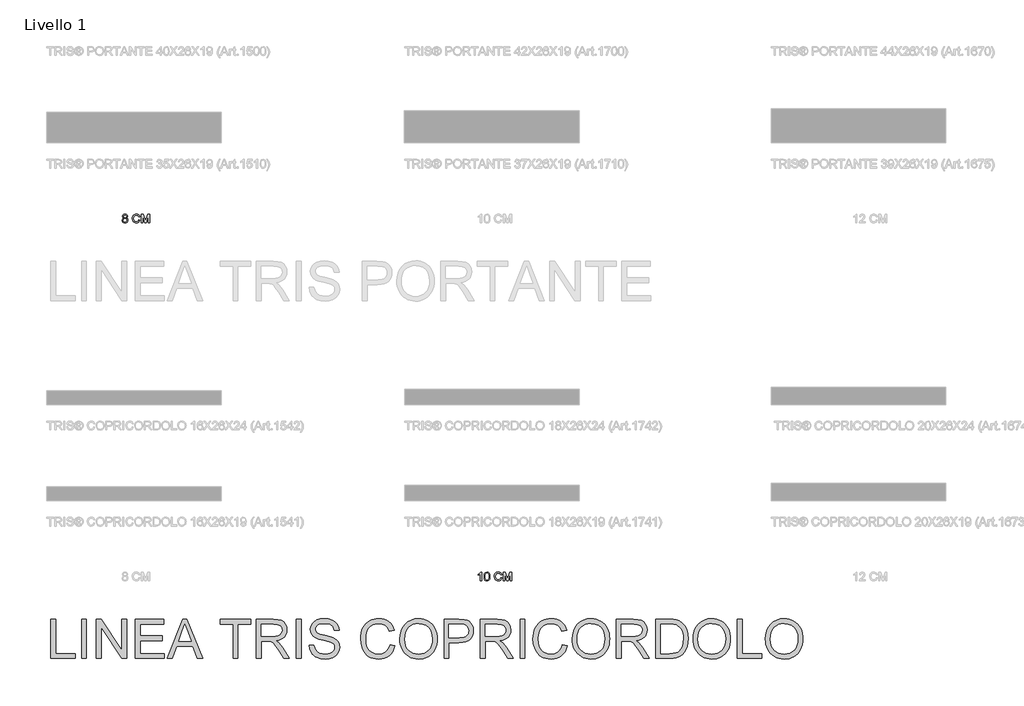
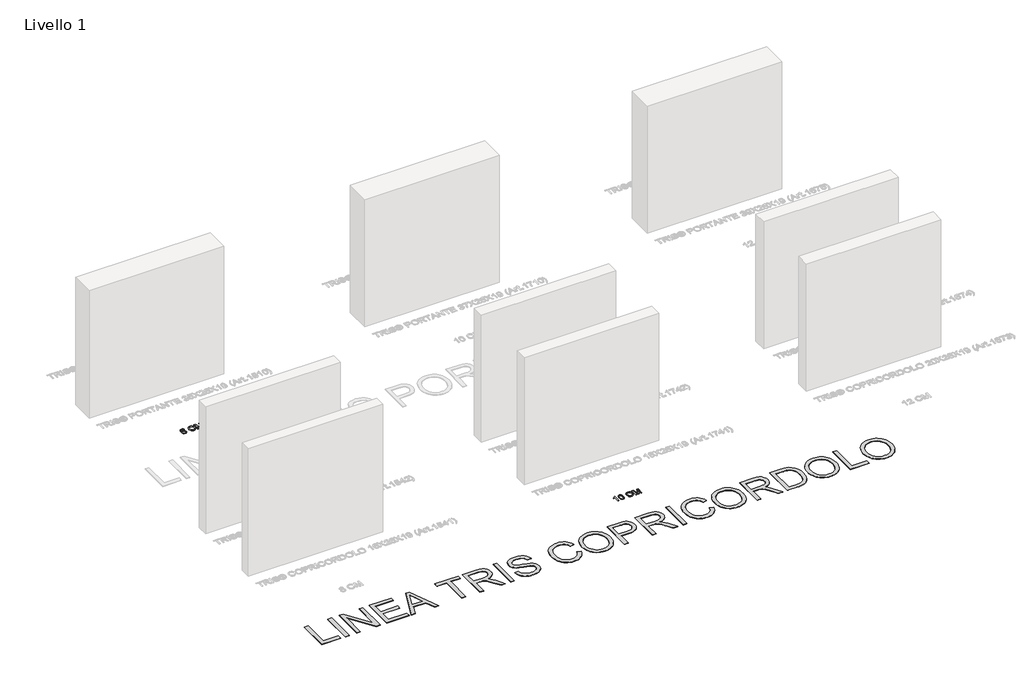
# One storey, part 2 of 19: 3 proxies.
"""IFC4 building model written with IfcOpenShell, lengths in millimetres."""

from ifc_helpers import new_model, si_unit, origin, origin_with_axes, place, context, project, spatial, polyline, outline, extrude, element, save

model = new_model("IFC4")

# Units and contexts
model_context = context("Model", 3, world=origin())
ifc_project = project(units=[si_unit("LENGTHUNIT", "METRE", prefix="MILLI")], contexts=[model_context])

# Site, building, storey
site = spatial("IfcSite", under=ifc_project)
building = spatial("IfcBuilding", under=site)
storey = spatial("IfcBuildingStorey", under=building, Name="Livello 1", Elevation=0.0)

# Proxies
placement = place(None, origin())
element("IfcBuildingElementProxy", 1, Name="100", ObjectType="100", at=placement, inside=storey, context=model_context, shape_type="SweptSolid", body=[
    extrude(outline(polyline([(-254.5753116, -4783.9348646), (-267.1323503, -4783.9348646), (-267.1323503, -4705.649576), (-279.0272015, -4714.1231247), (-292.2464279, -4720.4629577), (-292.2464279, -4708.592632), (-273.8400654, -4696.8449336), (-262.6687155, -4683.4785545), (-254.5753116, -4683.4785545), (-254.5753116, -4783.9348646)])), origin_with_axes(), (0.0, 0.0, 1.0), 5.0),
    extrude(outline(polyline([(-224.7523445, -4734.5160499), (-221.0612618, -4705.6127878), (-210.0983783, -4688.9477335), (-191.7901177, -4683.4785545), (-177.1238888, -4686.715916), (-166.9948712, -4696.047856), (-161.1087593, -4710.9102886), (-158.827891, -4734.5160499), (-162.4821854, -4763.2966847), (-173.4082807, -4779.9985273), (-181.6396403, -4784.1280027), (-191.7901177, -4785.5044945), (-204.8376658, -4783.1132615), (-214.7459542, -4775.9395626), (-222.2507469, -4758.9495458), (-224.7523445, -4734.5160499)]), holes=[polyline([(-212.1953057, -4734.4915245), (-210.7237777, -4754.2437219), (-206.3091938, -4765.6756549), (-199.7363688, -4771.1295055), (-191.7901177, -4772.9474557), (-183.8438666, -4771.1233741), (-177.2710416, -4765.6511295), (-172.8564577, -4754.2130651), (-171.3849297, -4734.4915245), (-172.8074068, -4715.1838511), (-177.0748379, -4703.6630133), (-183.6354002, -4697.9424482), (-191.9372705, -4696.0355932), (-199.7976825, -4697.7155877), (-206.1129901, -4702.755571), (-210.6747268, -4714.9937787), (-212.1953057, -4734.4915245)])]), origin_with_axes(), (0.0, 0.0, 1.0), 5.0),
    extrude(outline(polyline([(-33.2575033, -4748.2257856), (-20.7004645, -4751.4631472), (-26.4946059, -4766.0956535), (-35.5874226, -4776.7856912), (-47.5313247, -4783.3247936), (-61.8787225, -4785.5044945), (-76.4437838, -4783.8551568), (-88.0106069, -4778.907144), (-96.876563, -4770.8321342), (-103.3390233, -4759.8018057), (-108.5997359, -4732.9464201), (-107.1128795, -4718.2985853), (-102.6523103, -4705.649576), (-95.4510202, -4695.4009968), (-85.7420012, -4687.9544521), (-74.2272948, -4683.4203065), (-61.6089424, -4681.9089246), (-47.8409587, -4683.8648306), (-36.4580766, -4689.7325484), (-27.8159154, -4699.1503275), (-22.2700943, -4711.7564172), (-34.8271331, -4714.7485241), (-45.127829, -4699.309743), (-62.0994517, -4694.4659634), (-81.7443502, -4699.8370405), (-92.8421238, -4714.2580147), (-96.0426971, -4732.9218946), (-92.2535126, -4754.5533559), (-80.4567632, -4768.3734562), (-63.1295213, -4772.9474557), (-52.6479501, -4771.3900886), (-43.9138184, -4766.7179872), (-37.3195336, -4758.9802026), (-33.2575033, -4748.2257856)])), origin_with_axes(), (0.0, 0.0, 1.0), 5.0),
    extrude(outline(polyline([(-3.4345362, -4783.9348646), (-3.4345362, -4683.4785545), (18.1723997, -4683.4785545), (38.7247405, -4754.2835758), (42.8695443, -4769.072432), (47.3577046, -4753.0573025), (67.5666889, -4683.4785545), (89.1736247, -4683.4785545), (89.1736247, -4783.9348646), (76.616586, -4783.9348646), (76.616586, -4696.0355932), (51.3798811, -4783.9348646), (34.3592074, -4783.9348646), (9.1225026, -4696.0355932), (9.1225026, -4783.9348646), (-3.4345362, -4783.9348646)])), origin_with_axes(), (0.0, 0.0, 1.0), 5.0),
])
element("IfcBuildingElementProxy", 2, Name="100", ObjectType="100", at=placement, inside=storey, context=model_context, shape_type="SweptSolid", body=[
    extrude(outline(polyline([(-4352.3719199, -628.6054125), (-4363.8130499, -620.8063142), (-4367.5286581, -608.6662084), (-4365.5053071, -598.8498905), (-4359.4352542, -590.7380925), (-4349.999081, -585.293439), (-4337.8773693, -583.4785545), (-4325.6820811, -585.3363585), (-4316.1232806, -590.9097708), (-4309.9428631, -599.1503275), (-4307.8827239, -609.0095649), (-4311.5492811, -620.8431024), (-4322.6715801, -628.6054125), (-4309.3174637, -638.4523873), (-4304.7434642, -654.7005087), (-4307.0120699, -666.7057245), (-4313.8178868, -676.6262756), (-4324.3270491, -683.2849398), (-4337.705691, -685.5044945), (-4351.0843329, -683.2757427), (-4361.5934952, -676.5894874), (-4368.3993121, -666.5739001), (-4370.6679178, -654.3571522), (-4365.9099773, -637.728886), (-4352.3719199, -628.6054125)]), holes=[polyline([(-4358.110879, -653.9156938), (-4356.0139516, -663.3702611), (-4348.5949981, -670.4458581), (-4337.6075891, -672.9474557), (-4329.0604641, -671.6322776), (-4322.6470547, -667.6867432), (-4317.300503, -654.3081013), (-4322.8187329, -640.671942), (-4329.3792952, -636.62524), (-4338.0245221, -635.2763394), (-4346.4520854, -636.6068459), (-4352.8011155, -640.5983656), (-4358.110879, -653.9156938)]), polyline([(-4354.9716193, -609.0340904), (-4350.5202472, -618.8933279), (-4337.5585382, -622.7193006), (-4324.8543466, -618.9178533), (-4320.4397627, -609.5981761), (-4325.0014994, -599.9474051), (-4337.705691, -596.0355932), (-4350.4466708, -599.861566), (-4354.9716193, -609.0340904)])]), origin_with_axes(), (0.0, 0.0, 1.0), 5.0),
    extrude(outline(polyline([(-4179.1730765, -648.2257856), (-4166.6160378, -651.4631472), (-4172.4101792, -666.0956535), (-4181.5029958, -676.7856912), (-4193.446898, -683.3247936), (-4207.7942958, -685.5044945), (-4222.3593571, -683.8551568), (-4233.9261802, -678.907144), (-4242.7921362, -670.8321342), (-4249.2545966, -659.8018057), (-4254.5153092, -632.9464201), (-4253.0284528, -618.2985853), (-4248.5678836, -605.649576), (-4241.3665935, -595.4009968), (-4231.6575745, -587.9544521), (-4220.1428681, -583.4203065), (-4207.5245156, -581.9089246), (-4193.756532, -583.8648306), (-4182.3736499, -589.7325484), (-4173.7314887, -599.1503275), (-4168.1856676, -611.7564172), (-4180.7427064, -614.7485241), (-4191.0434023, -599.309743), (-4208.015025, -594.4659634), (-4227.6599235, -599.8370405), (-4238.757697, -614.2580147), (-4241.9582704, -632.9218946), (-4238.1690858, -654.5533559), (-4226.3723365, -668.3734562), (-4209.0450946, -672.9474557), (-4198.5635234, -671.3900886), (-4189.8293917, -666.7179872), (-4183.2351069, -658.9802026), (-4179.1730765, -648.2257856)])), origin_with_axes(), (0.0, 0.0, 1.0), 5.0),
    extrude(outline(polyline([(-4149.3501095, -683.9348646), (-4149.3501095, -583.4785545), (-4127.7431736, -583.4785545), (-4107.1908328, -654.2835758), (-4103.046029, -669.072432), (-4098.5578687, -653.0573025), (-4078.3488844, -583.4785545), (-4056.7419485, -583.4785545), (-4056.7419485, -683.9348646), (-4069.2989873, -683.9348646), (-4069.2989873, -596.0355932), (-4094.5356922, -683.9348646), (-4111.5563658, -683.9348646), (-4136.7930707, -596.0355932), (-4136.7930707, -683.9348646), (-4149.3501095, -683.9348646)])), origin_with_axes(), (0.0, 0.0, 1.0), 5.0),
])
element("IfcBuildingElementProxy", 3, Name="450mm", ObjectType="450mm", at=placement, inside=storey, context=model_context, shape_type="SweptSolid", body=[
    extrude(outline(polyline([(-5187.5307666, -5673.5519199), (-5187.5307666, -5223.895777), (-5131.3237488, -5223.895777), (-5131.3237488, -5617.344902), (-4906.4956774, -5617.344902), (-4906.4956774, -5673.5519199), (-5187.5307666, -5673.5519199)])), origin_with_axes(), (0.0, 0.0, 1.0), 5.0),
    extrude(outline(polyline([(-4836.2369051, -5673.5519199), (-4836.2369051, -5223.895777), (-4780.0298872, -5223.895777), (-4780.0298872, -5673.5519199), (-4836.2369051, -5673.5519199)])), origin_with_axes(), (0.0, 0.0, 1.0), 5.0),
    extrude(outline(polyline([(-4667.6158515, -5673.5519199), (-4667.6158515, -5223.895777), (-4607.4567777, -5223.895777), (-4372.5290078, -5580.1297085), (-4372.5290078, -5223.895777), (-4316.3219899, -5223.895777), (-4316.3219899, -5673.5519199), (-4376.4810637, -5673.5519199), (-4611.4088336, -5317.208209), (-4611.4088336, -5673.5519199), (-4667.6158515, -5673.5519199)])), origin_with_axes(), (0.0, 0.0, 1.0), 5.0),
    extrude(outline(polyline([(-4217.9597087, -5673.5519199), (-4217.9597087, -5223.895777), (-3894.769356, -5223.895777), (-3894.769356, -5280.1027949), (-4161.7526908, -5280.1027949), (-4161.7526908, -5413.5944623), (-3908.8211105, -5413.5944623), (-3908.8211105, -5469.8014801), (-4161.7526908, -5469.8014801), (-4161.7526908, -5617.344902), (-3887.7434788, -5617.344902), (-3887.7434788, -5673.5519199), (-4217.9597087, -5673.5519199)])), origin_with_axes(), (0.0, 0.0, 1.0), 5.0),
    extrude(outline(polyline([(-3855.7976933, -5673.5519199), (-3676.3084859, -5223.895777), (-3628.4446972, -5223.895777), (-3448.9554898, -5673.5519199), (-3508.3461083, -5673.5519199), (-3559.8326149, -5533.0343752), (-3745.0303475, -5533.0343752), (-3796.4070748, -5673.5519199), (-3855.7976933, -5673.5519199)]), holes=[polyline([(-3724.3918332, -5476.8273574), (-3580.3613499, -5476.8273574), (-3620.8699233, -5366.2795703), (-3652.3765915, -5280.1027949), (-3680.3703211, -5356.6189891), (-3724.3918332, -5476.8273574)])]), origin_with_axes(), (0.0, 0.0, 1.0), 5.0),
    extrude(outline(polyline([(-3100.8452289, -5673.5519199), (-3100.8452289, -5280.1027949), (-3248.3886507, -5280.1027949), (-3248.3886507, -5223.895777), (-2897.0947892, -5223.895777), (-2897.0947892, -5280.1027949), (-3044.638211, -5280.1027949), (-3044.638211, -5673.5519199), (-3100.8452289, -5673.5519199)])), origin_with_axes(), (0.0, 0.0, 1.0), 5.0),
    extrude(outline(polyline([(-2833.8618941, -5673.5519199), (-2833.8618941, -5223.895777), (-2640.1013735, -5223.895777), (-2588.0248031, -5226.9284311), (-2550.1372112, -5236.0263932), (-2522.4453748, -5252.8226309), (-2500.9560706, -5278.9501119), (-2487.165042, -5311.3487372), (-2482.5680325, -5346.9584079), (-2484.4720178, -5370.0532348), (-2490.1839736, -5391.2543683), (-2499.7039001, -5410.5618082), (-2513.0317971, -5427.9755547), (-2530.3391948, -5442.9398499), (-2551.7976236, -5454.8989359), (-2577.4070833, -5463.8528126), (-2607.167574, -5469.8014801), (-2575.2217885, -5493.8431538), (-2529.6633658, -5551.6968616), (-2454.6840822, -5673.5519199), (-2520.0027846, -5673.5519199), (-2578.5151684, -5580.3492672), (-2620.7802112, -5518.6532828), (-2636.492378, -5500.6631948), (-2650.4755204, -5489.5068702), (-2677.2067877, -5478.8033853), (-2709.8112492, -5476.8273574), (-2777.6548762, -5476.8273574), (-2777.6548762, -5673.5519199), (-2833.8618941, -5673.5519199)]), holes=[polyline([(-2777.6548762, -5420.6203395), (-2651.847762, -5420.6203395), (-2615.7166395, -5418.6305891), (-2587.6817426, -5412.661338), (-2566.5766661, -5402.3146359), (-2551.2350045, -5387.192533), (-2541.8900389, -5368.9005518), (-2538.7750504, -5349.0442152), (-2540.2605019, -5334.669984), (-2544.7168567, -5321.6268271), (-2562.5422757, -5299.5337366), (-2576.1514822, -5291.0326996), (-2593.2118765, -5284.9605303), (-2637.6862283, -5280.1027949), (-2777.6548762, -5280.1027949), (-2777.6548762, -5420.6203395)])]), origin_with_axes(), (0.0, 0.0, 1.0), 5.0),
    extrude(outline(polyline([(-2377.179874, -5673.5519199), (-2377.179874, -5223.895777), (-2320.9728562, -5223.895777), (-2320.9728562, -5673.5519199), (-2377.179874, -5673.5519199)])), origin_with_axes(), (0.0, 0.0, 1.0), 5.0),
    extrude(outline(polyline([(-2229.6364522, -5518.9826208), (-2173.4294343, -5518.9826208), (-2166.9798986, -5550.1736734), (-2155.3158446, -5575.2445283), (-2137.1199203, -5595.1420322), (-2111.0747739, -5610.8130318), (-2079.2387677, -5620.9813424), (-2043.6702642, -5624.3707792), (-2012.3557098, -5621.8046873), (-1984.9383217, -5614.1064117), (-1962.7217294, -5601.9209059), (-1947.0095626, -5585.8931235), (-1937.664597, -5567.491363), (-1934.5496084, -5548.183923), (-1936.8824192, -5529.37049), (-1943.8808516, -5513.1094265), (-1958.0972751, -5499.2360635), (-1982.0840591, -5487.5857319), (-2063.9245509, -5466.1238725), (-2117.6478114, -5451.9211715), (-2152.0224646, -5438.4045913), (-2180.0024718, -5419.4951014), (-2199.8313636, -5396.5786659), (-2211.6463642, -5370.1492917), (-2215.5846977, -5340.700986), (-2210.7132399, -5307.7809089), (-2196.0988663, -5277.0838633), (-2172.1258047, -5251.0661616), (-2139.1782828, -5232.1841166), (-2099.6302785, -5220.698454), (-2055.85577, -5216.8698998), (-2008.4310987, -5220.8768454), (-1966.9345113, -5232.8976822), (-1932.8480288, -5252.6854068), (-1907.6536722, -5279.9930156), (-1891.7082242, -5313.1189289), (-1885.3684678, -5350.3615672), (-1941.5754857, -5350.3615672), (-1945.3354278, -5332.4263689), (-1951.8947429, -5316.8239814), (-1961.2534309, -5303.5544046), (-1973.4114919, -5292.6176387), (-1988.5953457, -5284.0685732), (-2007.0314122, -5277.9620979), (-2053.6601834, -5273.0769177), (-2101.3867479, -5277.9072083), (-2119.6307005, -5283.9450715), (-2134.1284335, -5292.39808), (-2153.0653683, -5313.7227152), (-2157.799602, -5325.8876374), (-2159.3776798, -5339.054296), (-2154.9041721, -5360.6533796), (-2141.4836488, -5378.0259588), (-2109.7574219, -5393.5597342), (-2049.7081274, -5409.4228477), (-1987.7376947, -5424.490061), (-1950.2480529, -5437.6361359), (-1918.2062104, -5458.0276468), (-1895.852394, -5483.1945586), (-1882.7200414, -5512.862423), (-1878.3425906, -5546.7567917), (-1883.3787174, -5581.4058933), (-1898.487098, -5613.9966324), (-1923.0502234, -5642.0452516), (-1956.4505851, -5663.0679937), (-1996.6160981, -5676.2003462), (-2041.4746776, -5680.5777971), (-2096.5427348, -5675.8572858), (-2141.8678764, -5661.695752), (-2161.0072168, -5651.0608793), (-2177.9715542, -5638.038306), (-2192.7608885, -5622.6280323), (-2205.3752198, -5604.8300582), (-2222.9673578, -5564.3763744), (-2229.6364522, -5518.9826208)])), origin_with_axes(), (0.0, 0.0, 1.0), 5.0),
    extrude(outline(polyline([(-1302.2206576, -5513.7132128), (-1246.0136398, -5528.2040846), (-1257.1356583, -5563.15851), (-1271.9490069, -5593.7011784), (-1290.4536855, -5619.83209), (-1312.6496941, -5641.5512446), (-1338.0361646, -5658.6253613), (-1366.1122287, -5670.821159), (-1396.8778864, -5678.1386376), (-1430.3331377, -5680.5777971), (-1464.6083035, -5678.7321321), (-1495.5283384, -5673.195137), (-1523.0932425, -5663.9668119), (-1547.3030157, -5651.0471568), (-1568.4904267, -5634.6282855), (-1586.9882441, -5614.9023119), (-1602.7964679, -5591.8692358), (-1615.9150981, -5565.5290574), (-1633.5758481, -5507.4832358), (-1639.4627647, -5445.3206892), (-1637.7989217, -5411.4194593), (-1632.8073927, -5379.7549833), (-1624.4881777, -5350.3272612), (-1612.8412768, -5323.1362929), (-1598.1274157, -5298.6314877), (-1580.6073205, -5277.2622547), (-1560.2809911, -5259.0285938), (-1537.1484275, -5243.9305051), (-1511.9952381, -5232.0914903), (-1485.6070313, -5223.6350511), (-1457.9838069, -5218.5611876), (-1429.1255651, -5216.8698998), (-1396.9773739, -5219.0586252), (-1367.4981927, -5225.6248015), (-1340.6880216, -5236.5684286), (-1316.5468604, -5251.8895066), (-1295.4726593, -5271.1832242), (-1277.8633684, -5294.04477), (-1263.7189876, -5320.4741441), (-1253.039517, -5350.4713465), (-1309.2465348, -5363.864425), (-1328.7323662, -5322.875567), (-1341.1511531, -5307.207998), (-1355.3538542, -5294.7583357), (-1371.4228038, -5285.2727153), (-1389.4403367, -5278.4972722), (-1431.3211517, -5273.0769177), (-1456.536092, -5274.5795223), (-1479.5966129, -5279.0873361), (-1500.5027144, -5286.6003591), (-1519.2543965, -5297.1185913), (-1535.6149475, -5310.1686094), (-1549.3476558, -5325.2769899), (-1560.4525213, -5342.4437329), (-1568.9295441, -5361.6688384), (-1579.6741962, -5402.8086429), (-1583.2557469, -5445.2109098), (-1579.0155202, -5497.1365337), (-1566.2948401, -5542.0362804), (-1556.6342589, -5561.4226243), (-1544.6134221, -5578.1948478), (-1530.2323296, -5592.352951), (-1513.4909815, -5603.8969339), (-1476.1797312, -5619.2523179), (-1435.9318837, -5624.3707792), (-1411.4956905, -5622.6280323), (-1389.0149418, -5617.3997917), (-1368.4896373, -5608.6860572), (-1349.9197772, -5596.486829), (-1333.7444788, -5580.8569966), (-1320.4028594, -5561.8514498), (-1309.894919, -5539.4701885), (-1302.2206576, -5513.7132128)])), origin_with_axes(), (0.0, 0.0, 1.0), 5.0),
    extrude(outline(polyline([(-1189.8066219, -5454.6519324), (-1186.0604022, -5401.9098247), (-1174.8217431, -5355.2193026), (-1156.0906446, -5314.5803663), (-1129.8671068, -5279.9930156), (-1097.7223462, -5252.3766524), (-1061.2275796, -5232.6506787), (-1020.382807, -5220.8150945), (-975.1880283, -5216.8698998), (-944.9369612, -5218.722426), (-916.2090824, -5224.2800047), (-889.0043917, -5233.5426358), (-863.3228893, -5246.5103194), (-839.885002, -5262.7919665), (-819.4111566, -5281.9964884), (-801.9013532, -5304.1238849), (-787.3555917, -5329.1741562), (-775.9248188, -5356.5778219), (-767.759981, -5385.7654017), (-762.8610783, -5416.7368957), (-761.2281108, -5449.4923038), (-762.9468434, -5482.679968), (-768.1030414, -5514.0699957), (-776.6967047, -5543.6623868), (-788.7278334, -5571.4571413), (-803.9116872, -5596.72011), (-821.9635261, -5618.7171436), (-842.88335, -5637.4482421), (-866.6711589, -5652.9134055), (-892.390398, -5665.0165768), (-919.1045122, -5673.6616992), (-946.8135017, -5678.8487726), (-975.5173663, -5680.5777971), (-1006.2967465, -5678.6669506), (-1035.4019918, -5672.9344111), (-1062.8331023, -5663.3801786), (-1088.590078, -5650.0042532), (-1112.0005205, -5633.324656), (-1132.3920314, -5613.8594082), (-1149.7646106, -5591.6085099), (-1164.1182583, -5566.5719611), (-1175.3569174, -5539.7549287), (-1183.384531, -5512.1625798), (-1188.2010992, -5483.7949143), (-1189.8066219, -5454.6519324)]), holes=[polyline([(-1133.599604, -5455.200829), (-1130.7899393, -5492.4640509), (-1122.360945, -5525.5419358), (-1108.3126211, -5554.4344837), (-1088.6449677, -5579.1416946), (-1064.7370876, -5598.9294191), (-1037.9680837, -5613.0635081), (-1008.3379559, -5621.5439614), (-975.8467043, -5624.3707792), (-942.7996949, -5621.5165166), (-912.8196455, -5612.9537287), (-885.9065562, -5598.6824156), (-862.060427, -5578.7025772), (-842.536859, -5553.4739145), (-828.5914532, -5523.4561285), (-820.2242098, -5488.6492192), (-817.4351286, -5449.0531864), (-822.2105296, -5399.2957043), (-836.5367324, -5356.2896511), (-860.0432318, -5321.1190977), (-892.3595225, -5294.868115), (-931.3449077, -5278.524717), (-974.8586903, -5273.0769177), (-1006.2212732, -5275.7013298), (-1035.3196573, -5283.5745663), (-1062.1538427, -5296.696627), (-1086.7238294, -5315.067512), (-1107.2319808, -5339.5723173), (-1121.8806604, -5371.0961385), (-1130.6698681, -5409.6389757), (-1133.599604, -5455.200829)])]), origin_with_axes(), (0.0, 0.0, 1.0), 5.0),
    extrude(outline(polyline([(-683.9434612, -5673.5519199), (-683.9434612, -5223.895777), (-517.2984356, -5223.895777), (-450.1134846, -5228.177171), (-420.1574495, -5236.1773398), (-395.4982671, -5249.199913), (-375.6419304, -5267.8349546), (-360.0944326, -5292.6725284), (-350.0496237, -5321.9698875), (-346.7013541, -5353.9842851), (-348.9621222, -5381.5869259), (-355.7444266, -5406.9802575), (-367.0482671, -5430.1642802), (-382.8736439, -5451.1389937), (-404.5996598, -5468.5252954), (-433.6054176, -5480.9440823), (-469.8909174, -5488.3953544), (-513.456159, -5490.8791118), (-627.7364434, -5490.8791118), (-627.7364434, -5673.5519199), (-683.9434612, -5673.5519199)]), holes=[polyline([(-627.7364434, -5434.672094), (-510.1627791, -5434.672094), (-460.3229625, -5429.5124654), (-441.7428106, -5423.0629296), (-427.3891629, -5414.0335796), (-416.6788169, -5402.6645576), (-409.0285697, -5389.1960058), (-404.4384214, -5373.6279243), (-402.908372, -5355.9603131), (-406.5173675, -5330.7110668), (-417.3443541, -5309.4138765), (-434.0445349, -5293.386094), (-455.2731132, -5283.9450715), (-511.4801311, -5280.1027949), (-627.7364434, -5280.1027949), (-627.7364434, -5434.672094)])]), origin_with_axes(), (0.0, 0.0, 1.0), 5.0),
    extrude(outline(polyline([(-269.4167046, -5673.5519199), (-269.4167046, -5223.895777), (-75.656184, -5223.895777), (-23.5796135, -5226.9284311), (14.3079783, -5236.0263932), (41.9998148, -5252.8226309), (63.4891189, -5278.9501119), (77.2801475, -5311.3487372), (81.877157, -5346.9584079), (79.9731717, -5370.0532348), (74.2612159, -5391.2543683), (64.7412894, -5410.5618082), (51.4133924, -5427.9755547), (34.1059947, -5442.9398499), (12.6475659, -5454.8989359), (-12.9618938, -5463.8528126), (-42.7223845, -5469.8014801), (-10.776599, -5493.8431538), (34.7818237, -5551.6968616), (109.7611073, -5673.5519199), (44.4424049, -5673.5519199), (-14.0699789, -5580.3492672), (-56.3350217, -5518.6532828), (-72.0471885, -5500.6631948), (-86.0303309, -5489.5068702), (-112.7615982, -5478.8033853), (-145.3660597, -5476.8273574), (-213.2096867, -5476.8273574), (-213.2096867, -5673.5519199), (-269.4167046, -5673.5519199)]), holes=[polyline([(-213.2096867, -5420.6203395), (-87.4025725, -5420.6203395), (-51.27145, -5418.6305891), (-23.2365531, -5412.661338), (-2.1314766, -5402.3146359), (13.210185, -5387.192533), (22.5551506, -5368.9005518), (25.6701392, -5349.0442152), (24.1846876, -5334.669984), (19.7283328, -5321.6268271), (1.9029138, -5299.5337366), (-11.7062927, -5291.0326996), (-28.766687, -5284.9605303), (-73.2410387, -5280.1027949), (-213.2096867, -5280.1027949), (-213.2096867, -5420.6203395)])]), origin_with_axes(), (0.0, 0.0, 1.0), 5.0),
    extrude(outline(polyline([(187.2653155, -5673.5519199), (187.2653155, -5223.895777), (243.4723333, -5223.895777), (243.4723333, -5673.5519199), (187.2653155, -5673.5519199)])), origin_with_axes(), (0.0, 0.0, 1.0), 5.0),
    extrude(outline(polyline([(672.0508445, -5513.7132128), (728.2578623, -5528.2040846), (717.1358438, -5563.15851), (702.3224952, -5593.7011784), (683.8178166, -5619.83209), (661.6218079, -5641.5512446), (636.2353375, -5658.6253613), (608.1592734, -5670.821159), (577.3936157, -5678.1386376), (543.9383643, -5680.5777971), (509.6631986, -5678.7321321), (478.7431637, -5673.195137), (451.1782596, -5663.9668119), (426.9684863, -5651.0471568), (405.7810753, -5634.6282855), (387.2832579, -5614.9023119), (371.4750341, -5591.8692358), (358.356404, -5565.5290574), (340.695654, -5507.4832358), (334.8087373, -5445.3206892), (336.4725803, -5411.4194593), (341.4641093, -5379.7549833), (349.7833243, -5350.3272612), (361.4302253, -5323.1362929), (376.1440863, -5298.6314877), (393.6641816, -5277.2622547), (413.990511, -5259.0285938), (437.1230745, -5243.9305051), (462.2762639, -5232.0914903), (488.6644708, -5223.6350511), (516.2876951, -5218.5611876), (545.145937, -5216.8698998), (577.2941281, -5219.0586252), (606.7733093, -5225.6248015), (633.5834805, -5236.5684286), (657.7246417, -5251.8895066), (678.7988428, -5271.1832242), (696.4081337, -5294.04477), (710.5525145, -5320.4741441), (721.2319851, -5350.4713465), (665.0249672, -5363.864425), (645.5391358, -5322.875567), (633.1203489, -5307.207998), (618.9176479, -5294.7583357), (602.8486982, -5285.2727153), (584.8311654, -5278.4972722), (542.9503503, -5273.0769177), (517.7354101, -5274.5795223), (494.6748892, -5279.0873361), (473.7687877, -5286.6003591), (455.0171056, -5297.1185913), (438.6565546, -5310.1686094), (424.9238463, -5325.2769899), (413.8189808, -5342.4437329), (405.341958, -5361.6688384), (394.5973059, -5402.8086429), (391.0157552, -5445.2109098), (395.2559819, -5497.1365337), (407.9766619, -5542.0362804), (417.6372431, -5561.4226243), (429.65808, -5578.1948478), (444.0391724, -5592.352951), (460.7805205, -5603.8969339), (498.0917709, -5619.2523179), (538.3396184, -5624.3707792), (562.7758115, -5622.6280323), (585.2565603, -5617.3997917), (605.7818647, -5608.6860572), (624.3517248, -5596.486829), (640.5270232, -5580.8569966), (653.8686426, -5561.8514498), (664.376583, -5539.4701885), (672.0508445, -5513.7132128)])), origin_with_axes(), (0.0, 0.0, 1.0), 5.0),
    extrude(outline(polyline([(784.4648802, -5454.6519324), (788.2110999, -5401.9098247), (799.4497589, -5355.2193026), (818.1808574, -5314.5803663), (844.4043953, -5279.9930156), (876.5491559, -5252.3766524), (913.0439225, -5232.6506787), (953.8886951, -5220.8150945), (999.0834737, -5216.8698998), (1029.3345408, -5218.722426), (1058.0624197, -5224.2800047), (1085.2671103, -5233.5426358), (1110.9486128, -5246.5103194), (1134.3865001, -5262.7919665), (1154.8603455, -5281.9964884), (1172.3701489, -5304.1238849), (1186.9159103, -5329.1741562), (1198.3466832, -5356.5778219), (1206.511521, -5385.7654017), (1211.4104237, -5416.7368957), (1213.0433913, -5449.4923038), (1211.3246586, -5482.679968), (1206.1684606, -5514.0699957), (1197.5747973, -5543.6623868), (1185.5436687, -5571.4571413), (1170.3598149, -5596.72011), (1152.307976, -5618.7171436), (1131.3881521, -5637.4482421), (1107.6003431, -5652.9134055), (1081.8811041, -5665.0165768), (1055.1669898, -5673.6616992), (1027.4580004, -5678.8487726), (998.7541357, -5680.5777971), (967.9747556, -5678.6669506), (938.8695103, -5672.9344111), (911.4383997, -5663.3801786), (885.681424, -5650.0042532), (862.2709815, -5633.324656), (841.8794707, -5613.8594082), (824.5068914, -5591.6085099), (810.1532438, -5566.5719611), (798.9145847, -5539.7549287), (790.8869711, -5512.1625798), (786.0704029, -5483.7949143), (784.4648802, -5454.6519324)]), holes=[polyline([(840.671898, -5455.200829), (843.4815628, -5492.4640509), (851.9105571, -5525.5419358), (865.958881, -5554.4344837), (885.6265344, -5579.1416946), (909.5344145, -5598.9294191), (936.3034184, -5613.0635081), (965.9335461, -5621.5439614), (998.4247977, -5624.3707792), (1031.4718072, -5621.5165166), (1061.4518566, -5612.9537287), (1088.3649459, -5598.6824156), (1112.2110751, -5578.7025772), (1131.7346431, -5553.4739145), (1145.6800488, -5523.4561285), (1154.0472923, -5488.6492192), (1156.8363734, -5449.0531864), (1152.0609725, -5399.2957043), (1137.7347697, -5356.2896511), (1114.2282703, -5321.1190977), (1081.9119795, -5294.868115), (1042.9265943, -5278.524717), (999.4128117, -5273.0769177), (968.0502289, -5275.7013298), (938.9518448, -5283.5745663), (912.1176594, -5296.696627), (887.5476727, -5315.067512), (867.0395213, -5339.5723173), (852.3908417, -5371.0961385), (843.6016339, -5409.6389757), (840.671898, -5455.200829)])]), origin_with_axes(), (0.0, 0.0, 1.0), 5.0),
    extrude(outline(polyline([(1290.3280408, -5673.5519199), (1290.3280408, -5223.895777), (1484.0885614, -5223.895777), (1536.1651319, -5226.9284311), (1574.0527237, -5236.0263932), (1601.7445601, -5252.8226309), (1623.2338643, -5278.9501119), (1637.0248929, -5311.3487372), (1641.6219024, -5346.9584079), (1639.7179171, -5370.0532348), (1634.0059613, -5391.2543683), (1624.4860348, -5410.5618082), (1611.1581378, -5427.9755547), (1593.8507401, -5442.9398499), (1572.3923113, -5454.8989359), (1546.7828516, -5463.8528126), (1517.0223609, -5469.8014801), (1548.9681464, -5493.8431538), (1594.5265691, -5551.6968616), (1669.5058527, -5673.5519199), (1604.1871503, -5673.5519199), (1545.6747665, -5580.3492672), (1503.4097237, -5518.6532828), (1487.6975569, -5500.6631948), (1473.7144145, -5489.5068702), (1446.9831472, -5478.8033853), (1414.3786857, -5476.8273574), (1346.5350587, -5476.8273574), (1346.5350587, -5673.5519199), (1290.3280408, -5673.5519199)]), holes=[polyline([(1346.5350587, -5420.6203395), (1472.3421729, -5420.6203395), (1508.4732954, -5418.6305891), (1536.5081923, -5412.661338), (1557.6132688, -5402.3146359), (1572.9549304, -5387.192533), (1582.299896, -5368.9005518), (1585.4148846, -5349.0442152), (1583.929433, -5334.669984), (1579.4730782, -5321.6268271), (1561.6476592, -5299.5337366), (1548.0384527, -5291.0326996), (1530.9780584, -5284.9605303), (1486.5037067, -5280.1027949), (1346.5350587, -5280.1027949), (1346.5350587, -5420.6203395)])]), origin_with_axes(), (0.0, 0.0, 1.0), 5.0),
    extrude(outline(polyline([(1739.9841836, -5673.5519199), (1739.9841836, -5223.895777), (1895.1023794, -5223.895777), (1941.4567022, -5225.5150222), (1975.3510709, -5230.3727576), (2011.1940227, -5242.8601566), (2041.4382286, -5262.5381018), (2072.5332243, -5296.7892533), (2094.6812045, -5339.383634), (2107.9370588, -5389.497899), (2112.3556769, -5446.3087031), (2109.3641901, -5494.5704419), (2100.3897298, -5537.0413208), (2086.722203, -5573.1998882), (2069.6515169, -5602.5246922), (2050.0010165, -5625.6744088), (2028.5940468, -5643.307714), (2004.0171989, -5656.3851768), (1974.8570639, -5665.8673666), (1941.0587521, -5671.6307815), (1902.567374, -5673.5519199), (1739.9841836, -5673.5519199)]), holes=[polyline([(1796.1912015, -5617.344902), (1895.6512761, -5617.344902), (1936.7910806, -5615.3139844), (1967.9958557, -5609.2212314), (1991.5435223, -5599.4234261), (2009.7120017, -5586.2773511), (2029.2390004, -5561.9475067), (2043.9082636, -5530.4545609), (2053.0885602, -5491.6612896), (2056.1486591, -5445.4304685), (2054.6494851, -5412.7985621), (2050.1519631, -5384.1736014), (2042.6560931, -5359.5555862), (2032.1618751, -5338.9445167), (2005.5815544, -5307.8769658), (1990.3462415, -5296.9539223), (1973.8141603, -5289.1047001), (1941.4841471, -5282.3532712), (1894.1143654, -5280.1027949), (1796.1912015, -5280.1027949), (1796.1912015, -5617.344902)])]), origin_with_axes(), (0.0, 0.0, 1.0), 5.0),
    extrude(outline(polyline([(2168.5626948, -5454.6519324), (2172.3089145, -5401.9098247), (2183.5475736, -5355.2193026), (2202.278672, -5314.5803663), (2228.5022099, -5279.9930156), (2260.6469705, -5252.3766524), (2297.1417371, -5232.6506787), (2337.9865097, -5220.8150945), (2383.1812883, -5216.8698998), (2413.4323554, -5218.722426), (2442.1602343, -5224.2800047), (2469.364925, -5233.5426358), (2495.0464274, -5246.5103194), (2518.4843147, -5262.7919665), (2538.9581601, -5281.9964884), (2556.4679635, -5304.1238849), (2571.0137249, -5329.1741562), (2582.4444979, -5356.5778219), (2590.6093357, -5385.7654017), (2595.5082383, -5416.7368957), (2597.1412059, -5449.4923038), (2595.4224732, -5482.679968), (2590.2662752, -5514.0699957), (2581.6726119, -5543.6623868), (2569.6414833, -5571.4571413), (2554.4576295, -5596.72011), (2536.4057906, -5618.7171436), (2515.4859667, -5637.4482421), (2491.6981578, -5652.9134055), (2465.9789187, -5665.0165768), (2439.2648044, -5673.6616992), (2411.555815, -5678.8487726), (2382.8519503, -5680.5777971), (2352.0725702, -5678.6669506), (2322.9673249, -5672.9344111), (2295.5362143, -5663.3801786), (2269.7792386, -5650.0042532), (2246.3687961, -5633.324656), (2225.9772853, -5613.8594082), (2208.604706, -5591.6085099), (2194.2510584, -5566.5719611), (2183.0123993, -5539.7549287), (2174.9847857, -5512.1625798), (2170.1682175, -5483.7949143), (2168.5626948, -5454.6519324)]), holes=[polyline([(2224.7697126, -5455.200829), (2227.5793774, -5492.4640509), (2236.0083717, -5525.5419358), (2250.0566956, -5554.4344837), (2269.724349, -5579.1416946), (2293.6322291, -5598.9294191), (2320.401233, -5613.0635081), (2350.0313607, -5621.5439614), (2382.5226123, -5624.3707792), (2415.5696218, -5621.5165166), (2445.5496712, -5612.9537287), (2472.4627605, -5598.6824156), (2496.3088897, -5578.7025772), (2515.8324577, -5553.4739145), (2529.7778635, -5523.4561285), (2538.1451069, -5488.6492192), (2540.934188, -5449.0531864), (2536.1587871, -5399.2957043), (2521.8325843, -5356.2896511), (2498.3260849, -5321.1190977), (2466.0097941, -5294.868115), (2427.0244089, -5278.524717), (2383.5106263, -5273.0769177), (2352.1480435, -5275.7013298), (2323.0496594, -5283.5745663), (2296.215474, -5296.696627), (2271.6454873, -5315.067512), (2251.1373359, -5339.5723173), (2236.4886563, -5371.0961385), (2227.6994485, -5409.6389757), (2224.7697126, -5455.200829)])]), origin_with_axes(), (0.0, 0.0, 1.0), 5.0),
    extrude(outline(polyline([(2674.4258554, -5673.5519199), (2674.4258554, -5223.895777), (2730.6328733, -5223.895777), (2730.6328733, -5617.344902), (2955.4609447, -5617.344902), (2955.4609447, -5673.5519199), (2674.4258554, -5673.5519199)])), origin_with_axes(), (0.0, 0.0, 1.0), 5.0),
    extrude(outline(polyline([(2997.6162081, -5454.6519324), (3001.3624278, -5401.9098247), (3012.6010869, -5355.2193026), (3031.3321854, -5314.5803663), (3057.5557232, -5279.9930156), (3089.7004838, -5252.3766524), (3126.1952504, -5232.6506787), (3167.040023, -5220.8150945), (3212.2348016, -5216.8698998), (3242.4858687, -5218.722426), (3271.2137476, -5224.2800047), (3298.4184383, -5233.5426358), (3324.0999407, -5246.5103194), (3347.537828, -5262.7919665), (3368.0116734, -5281.9964884), (3385.5214768, -5304.1238849), (3400.0672383, -5329.1741562), (3411.4980112, -5356.5778219), (3419.662849, -5385.7654017), (3424.5617517, -5416.7368957), (3426.1947192, -5449.4923038), (3424.4759865, -5482.679968), (3419.3197886, -5514.0699957), (3410.7261252, -5543.6623868), (3398.6949966, -5571.4571413), (3383.5111428, -5596.72011), (3365.4593039, -5618.7171436), (3344.53948, -5637.4482421), (3320.7516711, -5652.9134055), (3295.032432, -5665.0165768), (3268.3183177, -5673.6616992), (3240.6093283, -5678.8487726), (3211.9054637, -5680.5777971), (3181.1260835, -5678.6669506), (3152.0208382, -5672.9344111), (3124.5897277, -5663.3801786), (3098.832752, -5650.0042532), (3075.4223095, -5633.324656), (3055.0307986, -5613.8594082), (3037.6582193, -5591.6085099), (3023.3045717, -5566.5719611), (3012.0659126, -5539.7549287), (3004.038299, -5512.1625798), (2999.2217308, -5483.7949143), (2997.6162081, -5454.6519324)]), holes=[polyline([(3053.8232259, -5455.200829), (3056.6328907, -5492.4640509), (3065.061885, -5525.5419358), (3079.1102089, -5554.4344837), (3098.7778623, -5579.1416946), (3122.6857424, -5598.9294191), (3149.4547463, -5613.0635081), (3179.0848741, -5621.5439614), (3211.5761257, -5624.3707792), (3244.6231351, -5621.5165166), (3274.6031845, -5612.9537287), (3301.5162738, -5598.6824156), (3325.362403, -5578.7025772), (3344.885971, -5553.4739145), (3358.8313768, -5523.4561285), (3367.1986202, -5488.6492192), (3369.9877014, -5449.0531864), (3365.2123004, -5399.2957043), (3350.8860976, -5356.2896511), (3327.3795982, -5321.1190977), (3295.0633074, -5294.868115), (3256.0779223, -5278.524717), (3212.5641396, -5273.0769177), (3181.2015568, -5275.7013298), (3152.1031727, -5283.5745663), (3125.2689873, -5296.696627), (3100.6990006, -5315.067512), (3080.1908492, -5339.5723173), (3065.5421696, -5371.0961385), (3056.7529619, -5409.6389757), (3053.8232259, -5455.200829)])]), origin_with_axes(), (0.0, 0.0, 1.0), 5.0),
])

save(model, "model.ifc")
